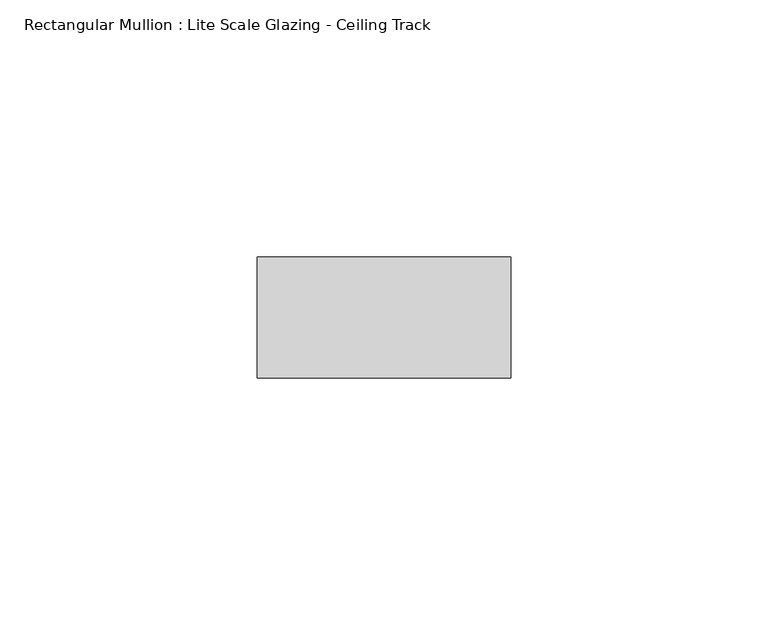
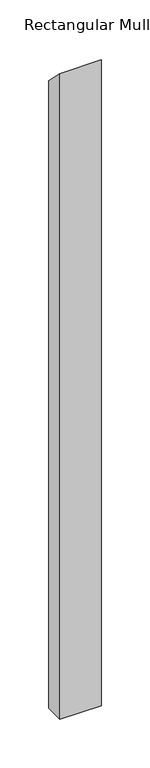
"""IFC4 building model written with IfcOpenShell, lengths in millimetres: member geometry, Rectangular Mullion : Lite Scale Glazing - Ceiling Track."""

from ifc_helpers import new_model, si_unit, frame, origin, place, context, project, spatial, polyline, outline, extrude, source, transform, mapped, element, save


def rectangular_mullion_lite_scale_glazing_ceiling_track_5718f4c3(model_context):
    return source(origin(), model_context, "Body", "SweptSolid", [
        extrude(outline(polyline([(-11.7474999, 11.7202989), (11.7474999, -11.7202989), (11.7474999, -800.1), (-11.7474999, -800.1), (-11.7474999, 11.7202989)])), frame((-49.276, 0.0, 0.0), z_axis=(1.0, 0.0, 0.0), x_axis=(0.0, 1.0, 0.0)), (0.0, 0.0, 1.0), 49.276),
    ])


if __name__ == "__main__":
    model = new_model("IFC4")
    model_context = context("Model", 3, world=origin())
    ifc_project = project(units=[si_unit("LENGTHUNIT", "METRE", prefix="MILLI")], contexts=[model_context])
    site = spatial("IfcSite", under=ifc_project)
    building = spatial("IfcBuilding", under=site)
    placement = place(None, origin())
    rectangular_mullion_lite_scale_glazing_ceiling_track_shape = rectangular_mullion_lite_scale_glazing_ceiling_track_5718f4c3(model_context)
    element("IfcMember", 1, ObjectType="Rectangular Mullion : Lite Scale Glazing - Ceiling Track", at=placement, inside=building, context=model_context, shape_type="MappedRepresentation", body=[
        mapped(rectangular_mullion_lite_scale_glazing_ceiling_track_shape, transform((0.0, 0.0, 0.0), x_axis=(1.0, 0.0, 0.0), y_axis=(0.0, 1.0, 0.0), z_axis=(0.0, 0.0, 1.0))),
    ])
    save(model, "model.ifc")
